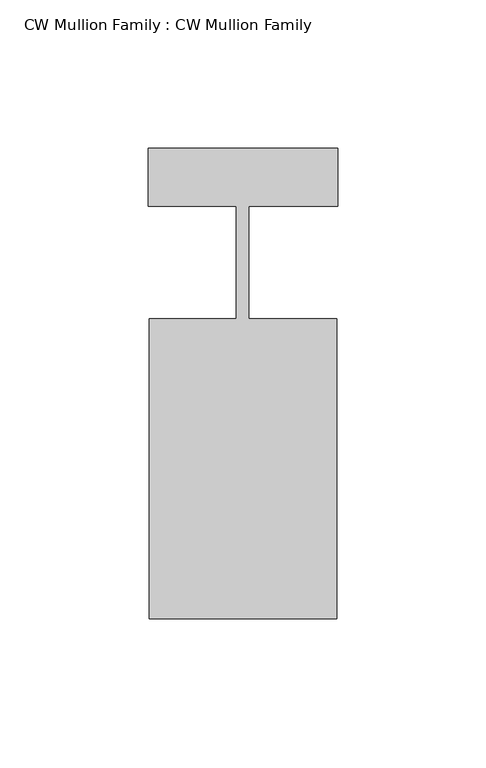
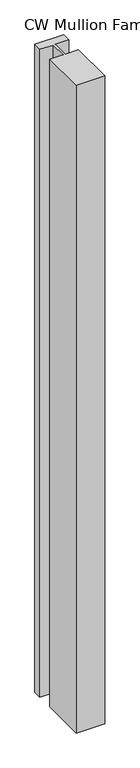
"""IFC4 building model written with IfcOpenShell, lengths in millimetres: proxy geometry, CW Mullion Family : CW Mullion Family."""

import ifcopenshell
import ifcopenshell.guid

model = None  # the IFC model being written
_history = None  # IfcOwnerHistory: only IFC2X3 demands one
_inside = {}  # id of a spatial element -> (the spatial element, [elements in it])
_under = {}  # id of a project, library or spatial element -> (it, [spatial elements below it])
_declared = {}  # id of a project -> (the project, [libraries it declares])
_typed = {}  # id of a type object -> (the type object, [elements of that type])
_made_of = {}  # id of a material, layer set ... -> (it, [elements and type objects made of it])


def new_model(schema):
    """Start an empty IFC model of exactly this schema.

    Asked for "IFC4X3", IfcOpenShell would pick the latest addendum, in which some entities
    have other attributes; the version numbers below select the first issue.
    IFC2X3 requires an IfcOwnerHistory on every rooted entity: one is made here for all.
    """
    global model, _history
    if schema == "IFC4X3":
        model = ifcopenshell.file(schema_version=(4, 3, 0, 0))
    else:
        model = ifcopenshell.file(schema=schema)
    _inside.clear()
    _under.clear()
    _declared.clear()
    _typed.clear()
    _made_of.clear()
    _history = None
    if model.schema == "IFC2X3":
        org = make("IfcOrganization", Name="unknown")
        user = make(
            "IfcPersonAndOrganization",
            ThePerson=make("IfcPerson", FamilyName="unknown"),
            TheOrganization=org,
        )
        app = make(
            "IfcApplication",
            ApplicationDeveloper=org,
            Version="unknown",
            ApplicationFullName="unknown",
            ApplicationIdentifier="unknown",
        )
        _history = make(
            "IfcOwnerHistory",
            OwningUser=user,
            OwningApplication=app,
            ChangeAction="ADDED",
            CreationDate=0,
        )
    return model


def make(cls, **values):
    """One entity of the class cls with the attributes given. An attribute that is None is left unset."""
    return model.create_entity(
        cls, **{name: value for name, value in values.items() if value is not None}
    )


def rooted(cls, **values):
    """An entity with a GlobalId (a new one), such as an element, a storey or a relation."""
    return make(cls, GlobalId=ifcopenshell.guid.new(), OwnerHistory=_history, **values)


def si_unit(unit_type, name, prefix=None):
    """IfcSIUnit, for example si_unit("LENGTHUNIT", "METRE", prefix="MILLI")."""
    return make("IfcSIUnit", UnitType=unit_type, Prefix=prefix, Name=name)


def assignment(units):
    """IfcUnitAssignment: the units of a project."""
    return None if units is None else make("IfcUnitAssignment", Units=units)


def point(xyz):
    """IfcCartesianPoint."""
    return None if xyz is None else make("IfcCartesianPoint", Coordinates=xyz)


def direction(xyz):
    """IfcDirection."""
    return None if xyz is None else make("IfcDirection", DirectionRatios=xyz)


def frame(location, z_axis=None, x_axis=None):
    """IfcAxis2Placement3D, a coordinate frame: its origin and axes. An axis left out is left unset."""
    return make(
        "IfcAxis2Placement3D",
        Location=point(location),
        Axis=direction(z_axis),
        RefDirection=direction(x_axis),
    )


def origin():
    """The frame at (0, 0, 0) with its axes left unset."""
    return frame((0.0, 0.0, 0.0))


def origin_with_axes():
    """The frame at (0, 0, 0) with the z axis (0, 0, 1) and the x axis (1, 0, 0) written out."""
    return frame((0.0, 0.0, 0.0), z_axis=(0.0, 0.0, 1.0), x_axis=(1.0, 0.0, 0.0))


def place(relative_to, where):
    """IfcLocalPlacement: puts the frame where relative to a parent placement (None: the world)."""
    return make(
        "IfcLocalPlacement", PlacementRelTo=relative_to, RelativePlacement=where
    )


def context(
    kind, dimensions, precision=None, world=None, true_north=None, identifier=None
):
    """IfcGeometricRepresentationContext, for example the 3D "Model" context."""
    return make(
        "IfcGeometricRepresentationContext",
        ContextIdentifier=identifier,
        ContextType=kind,
        CoordinateSpaceDimension=dimensions,
        Precision=precision,
        WorldCoordinateSystem=world,
        TrueNorth=true_north,
    )


def project(units=None, contexts=None):
    """IfcProject with its units and contexts."""
    return rooted(
        "IfcProject",
        Name="project",
        RepresentationContexts=contexts,
        UnitsInContext=assignment(units),
    )


def spatial(cls, under=None, at=None, **own):
    """A site, building, storey or space (cls), placed at a placement, below another one or the project."""
    s = rooted(cls, ObjectPlacement=at, **own)
    if under is not None:
        _under.setdefault(under.id(), (under, []))[1].append(s)
    return s


def polyline(points):
    """IfcPolyline through the points."""
    return make("IfcPolyline", Points=[point(p) for p in points])


def outline(outer, holes=None, kind="AREA"):
    """IfcArbitraryClosedProfileDef: a profile drawn as a closed curve; with holes, ...WithVoids."""
    if holes is None:
        return make("IfcArbitraryClosedProfileDef", ProfileType=kind, OuterCurve=outer)
    return make(
        "IfcArbitraryProfileDefWithVoids",
        ProfileType=kind,
        OuterCurve=outer,
        InnerCurves=holes,
    )


def extrude(swept, where, along, depth):
    """IfcExtrudedAreaSolid: the profile swept, set in the frame where, extruded along a direction by depth."""
    return make(
        "IfcExtrudedAreaSolid",
        SweptArea=swept,
        Position=where,
        ExtrudedDirection=direction(along),
        Depth=depth,
    )


def shape(context_of_items, identifier, shape_type, items):
    """IfcShapeRepresentation: the items that make up one representation, for example the "Body"."""
    return make(
        "IfcShapeRepresentation",
        ContextOfItems=context_of_items,
        RepresentationIdentifier=identifier,
        RepresentationType=shape_type,
        Items=items,
    )


def source(mapping_origin, context_of_items, identifier, shape_type, items):
    """IfcRepresentationMap: a shape defined once, which mapped items show again and again."""
    return make(
        "IfcRepresentationMap",
        MappingOrigin=mapping_origin,
        MappedRepresentation=shape(context_of_items, identifier, shape_type, items),
    )


def transform(
    local_origin,
    x_axis=None,
    y_axis=None,
    z_axis=None,
    scale=None,
    scale2=None,
    scale3=None,
    uniform=True,
):
    """IfcCartesianTransformationOperator3D, or its non-uniform kind. x_axis, y_axis, z_axis: its Axis1, 2, 3."""
    if uniform:
        return make(
            "IfcCartesianTransformationOperator3D",
            Axis1=direction(x_axis),
            Axis2=direction(y_axis),
            LocalOrigin=point(local_origin),
            Scale=scale,
            Axis3=direction(z_axis),
        )
    return make(
        "IfcCartesianTransformationOperator3DnonUniform",
        Axis1=direction(x_axis),
        Axis2=direction(y_axis),
        LocalOrigin=point(local_origin),
        Scale=scale,
        Axis3=direction(z_axis),
        Scale2=scale2,
        Scale3=scale3,
    )


def mapped(mapping_source, mapping_target):
    """IfcMappedItem: shows the shape of a source again, moved by a transform."""
    return make(
        "IfcMappedItem", MappingSource=mapping_source, MappingTarget=mapping_target
    )


def made_of(thing, what):
    """Note that an element or type object is made of a material, layer set ...; save() writes the relation."""
    if what is not None:
        _made_of.setdefault(what.id(), (what, []))[1].append(thing)
    return thing


def element(
    cls,
    number,
    at=None,
    inside=None,
    cuts=None,
    type_object=None,
    material=None,
    context=None,
    identifier="Body",
    shape_type=None,
    held_by="IfcProductDefinitionShape",
    body=None,
    shapes=None,
    **own,
):
    """One element of the class cls, such as IfcWall. Its Tag is "e" and its number.

    at: its placement. inside: the storey or other place that contains it. cuts: it is an
    opening in that element (IfcRelVoidsElement). A single representation is given by context,
    identifier, shape_type and body (its items); several are given by shapes. held_by: the class
    of the entity that holds the representations. save() writes the other relations.
    """
    e = rooted(cls, Tag="e%d" % number, ObjectPlacement=at, **own)
    if body is not None:
        shapes = [shape(context, identifier, shape_type, body)]
    if shapes is not None:
        e.Representation = make(held_by, Representations=shapes)
    if inside is not None:
        _inside.setdefault(inside.id(), (inside, []))[1].append(e)
    if cuts is not None:
        rooted(
            "IfcRelVoidsElement", RelatingBuildingElement=cuts, RelatedOpeningElement=e
        )
    if type_object is not None:
        _typed.setdefault(type_object.id(), (type_object, []))[1].append(e)
    return made_of(e, material)


def aggregate(whole, parts):
    """IfcRelAggregates: a whole, such as a stair, and the parts it consists of."""
    return rooted("IfcRelAggregates", RelatingObject=whole, RelatedObjects=parts)


def save(model, path):
    """Write the relations noted so far, then the file.

    IfcRelAggregates (storeys below a building ...), IfcRelContainedInSpatialStructure (elements
    in a storey), IfcRelDefinesByType, IfcRelAssociatesMaterial and IfcRelDeclares: one each for
    every whole, place, type object, material and project.
    """
    for whole, parts in _under.values():
        aggregate(whole, parts)
    for where, things in _inside.values():
        rooted(
            "IfcRelContainedInSpatialStructure",
            RelatedElements=things,
            RelatingStructure=where,
        )
    for kind, things in _typed.values():
        rooted("IfcRelDefinesByType", RelatedObjects=things, RelatingType=kind)
    for what, things in _made_of.values():
        rooted("IfcRelAssociatesMaterial", RelatedObjects=things, RelatingMaterial=what)
    for by, libraries in _declared.values():
        rooted("IfcRelDeclares", RelatingContext=by, RelatedDefinitions=libraries)
    model.write(path)


def cw_mullion_family_cw_mullion_family_d4bd0b1d(model_context):
    return source(origin(), model_context, "Body", "SweptSolid", [
        extrude(outline(polyline([(-31.4073276, -87.9143783), (-31.4073276, 13.3012762), (-2.1590635, 13.3012762), (-2.1590635, 51.106875), (-31.75, 51.106875), (-31.75, 70.6832225), (32.0620606, 70.6832225), (32.0620606, 51.106875), (2.1590635, 51.106875), (2.1590635, 13.3012762), (31.7192174, 13.3012762), (31.7192174, -87.9143783), (-31.4073276, -87.9143783)])), origin_with_axes(), (0.0, 0.0, 1.0), 1524.0),
    ])


if __name__ == "__main__":
    model = new_model("IFC4")
    model_context = context("Model", 3, world=origin())
    ifc_project = project(units=[si_unit("LENGTHUNIT", "METRE", prefix="MILLI")], contexts=[model_context])
    site = spatial("IfcSite", under=ifc_project)
    building = spatial("IfcBuilding", under=site)
    placement = place(None, origin())
    cw_mullion_family_cw_mullion_family_shape = cw_mullion_family_cw_mullion_family_d4bd0b1d(model_context)
    element("IfcBuildingElementProxy", 1, Name="CW Mullion Family : CW Mullion Family", ObjectType="CW Mullion Family : CW Mullion Family", at=placement, inside=building, context=model_context, shape_type="MappedRepresentation", body=[
        mapped(cw_mullion_family_cw_mullion_family_shape, transform((0.0, 0.0, 0.0), x_axis=(1.0, 0.0, 0.0), y_axis=(0.0, 1.0, 0.0), z_axis=(0.0, 0.0, 1.0))),
    ])
    save(model, "model.ifc")
